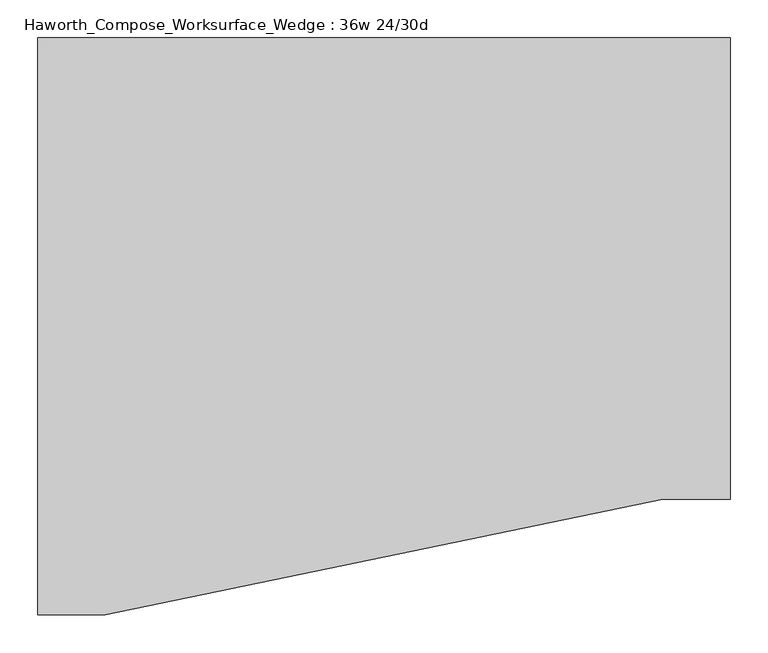
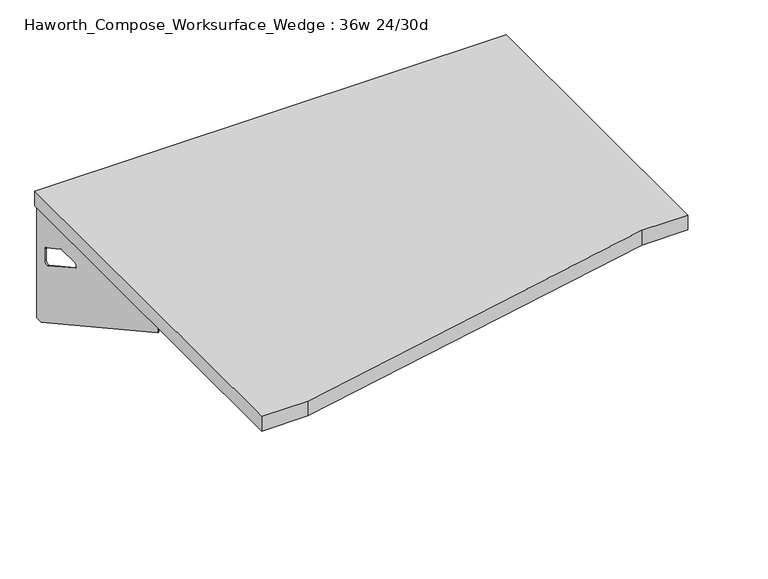
"""IFC4 building model written with IfcOpenShell, lengths in millimetres: furniture geometry, Haworth_Compose_Worksurface_Wedge : 36w 24/30d."""

from ifc_helpers import new_model, si_unit, frame, origin, place, context, project, spatial, polyline, circle_curve, outline, extrude, source, transform, mapped, element, save
from ifc_brep_helpers import plane_surface, revolved_surface, advanced_brep


def haworth_compose_worksurface_wedge_36w_24_30d_abe8b62f(model_context):
    return source(origin(), model_context, "Body", "SolidModel", [
        advanced_brep(
        [(451.64375, 381.0, 475.45625), (451.64375, 365.125, 475.45625), (451.64375, -25.4, 691.7192568), (451.64375, -25.4, 704.05625), (451.64375, 365.125, 704.05625), (451.64375, 381.0, 704.05625), (451.64375, 297.690072, 665.95625), (451.64375, 254.0355284, 665.95625), (451.64375, 251.3564235, 656.3705539), (451.64375, 343.0776173, 605.5776439), (451.64375, 352.425, 611.1756969), (451.64375, 352.425, 634.6860246), (451.64375, 350.6730055, 637.5242776), (451.64375, 300.7663437, 665.1613425), (454.025, 381.0, 475.45625), (454.025, 381.0, 704.05625), (454.025, 365.125, 704.05625), (454.025, 365.125, 706.4375), (454.025, -25.4, 706.4375), (454.025, -25.4, 691.7192568), (454.025, 365.125, 475.45625), (454.025, 297.690072, 665.95625), (454.025, 300.7663437, 665.1613425), (454.025, 350.6730055, 637.5242776), (454.025, 352.425, 634.6860246), (454.025, 352.425, 611.1756969), (454.025, 343.0776173, 605.5776439), (454.025, 251.3564235, 656.3705539), (454.025, 254.0355284, 665.95625), (412.75, -25.4, 706.4375), (412.75, -25.4, 704.05625), (412.75, 365.125, 704.05625), (412.75, 365.125, 706.4375)],
        [
            (0, 1),
            (1, 2),
            (2, 3),
            (3, 4),
            (4, 5),
            (5, 0),
            (6, 7),
            (7, 8, circle_curve(frame((451.64375, 254.0355284, 660.7890106), z_axis=(1.0, 0.0, 0.0), x_axis=(0.0, -1.0, 0.0)), 5.1672394)),
            (8, 9),
            (9, 10, circle_curve(frame((451.64375, 346.075, 611.1756969), z_axis=(1.0, 0.0, 0.0), x_axis=(0.0, -1.0, 0.0)), 6.35)),
            (10, 11),
            (11, 12, circle_curve(frame((451.64375, 349.25, 634.6860246), z_axis=(1.0, 0.0, 0.0), x_axis=(0.0, -1.0, 0.0)), 3.175)),
            (12, 13),
            (13, 6, circle_curve(frame((451.64375, 297.690072, 659.60625), z_axis=(1.0, 0.0, 0.0), x_axis=(0.0, -1.0, 0.0)), 6.35)),
            (14, 15),
            (15, 16),
            (16, 17),
            (17, 18),
            (18, 19),
            (19, 20),
            (20, 14),
            (21, 22, circle_curve(frame((454.025, 297.690072, 659.60625), z_axis=(-1.0, 0.0, 0.0), x_axis=(0.0, -1.0, 0.0)), 6.35)),
            (22, 23),
            (23, 24, circle_curve(frame((454.025, 349.25, 634.6860246), z_axis=(-1.0, 0.0, 0.0), x_axis=(0.0, -1.0, 0.0)), 3.175)),
            (24, 25),
            (25, 26, circle_curve(frame((454.025, 346.075, 611.1756969), z_axis=(-1.0, 0.0, 0.0), x_axis=(0.0, -1.0, 0.0)), 6.35)),
            (26, 27),
            (27, 28, circle_curve(frame((454.025, 254.0355284, 660.7890106), z_axis=(-1.0, 0.0, 0.0), x_axis=(0.0, -1.0, 0.0)), 5.1672394)),
            (28, 21),
            (4, 16),
            (15, 5),
            (14, 0),
            (20, 1),
            (19, 2),
            (18, 29),
            (29, 30),
            (30, 3),
            (6, 21),
            (28, 7),
            (9, 26),
            (25, 10),
            (24, 11),
            (23, 12),
            (27, 8),
            (31, 4),
            (30, 31),
            (32, 29),
            (17, 32),
            (31, 32),
            (22, 13),
        ],
        [
            plane_surface(frame((451.64375, 381.0, 475.45625), z_axis=(-1.0, 0.0, 0.0), x_axis=(0.0, 1.0, 0.0))),
            plane_surface(frame((454.025, 381.0, 475.45625), z_axis=(1.0, 0.0, 0.0), x_axis=(0.0, -1.0, 0.0))),
            plane_surface(frame((454.025, -25.4, 704.05625), z_axis=(0.0, 0.0, 1.0), x_axis=(-1.0, 0.0, 0.0))),
            plane_surface(frame((454.025, 381.0, 704.05625), z_axis=(0.0, 1.0, 0.0), x_axis=(-1.0, 0.0, 0.0))),
            plane_surface(frame((454.025, 381.0, 475.45625), z_axis=(0.0, 0.0, -1.0), x_axis=(-1.0, 0.0, 0.0))),
            plane_surface(frame((454.025, 365.125, 475.45625), z_axis=(0.0, -0.48445223513455843, -0.8748177135112952), x_axis=(-1.0, 0.0, 0.0))),
            plane_surface(frame((454.025, -25.4, 691.7192568), z_axis=(0.0, -1.0, 0.0), x_axis=(-1.0, 0.0, 0.0))),
            plane_surface(frame((454.025, 297.690072, 665.95625), z_axis=(0.0, 0.0, -1.0), x_axis=(-1.0, 0.0, 0.0))),
            revolved_surface(polyline([(451.64375, 339.72499999999997, 611.1756969), (454.025, 339.72499999999997, 611.1756969)]), (454.025, 346.075, 611.1756969), (-1.0, 0.0, 0.0)),
            plane_surface(frame((454.025, 352.425, 611.1756969), z_axis=(0.0, -1.0, 0.0), x_axis=(-1.0, 0.0, 0.0))),
            revolved_surface(polyline([(451.64375, 346.075, 634.6860246), (454.025, 346.075, 634.6860246)]), (454.025, 349.25, 634.6860246), (-1.0, 0.0, 0.0)),
            revolved_surface(polyline([(451.64375, 248.868289, 660.7890106), (454.025, 248.868289, 660.7890106)]), (454.025, 254.0355284, 660.7890106), (-1.0, 0.0, 0.0)),
            plane_surface(frame((454.025, 365.125, 704.05625), z_axis=(0.0, 0.0, -1.0), x_axis=(-1.0, 0.0, 0.0))),
            plane_surface(frame((454.025, 365.125, 706.4375), z_axis=(0.0, 0.0, 1.0), x_axis=(1.0, 0.0, 0.0))),
            plane_surface(frame((412.75, 365.125, 706.4375), z_axis=(0.0, 1.0, 0.0), x_axis=(0.0, 0.0, -1.0))),
            plane_surface(frame((412.75, -25.4, 706.4375), z_axis=(-1.0, 0.0, 0.0), x_axis=(0.0, 0.0, -1.0))),
            plane_surface(frame((454.025, 251.3564235, 656.3705539), z_axis=(0.0, 0.4844522351345583, 0.8748177135112953), x_axis=(-1.0, 0.0, 0.0))),
            plane_surface(frame((454.025, 350.6730055, 637.5242776), z_axis=(0.0, -0.4844522351345582, -0.8748177135112953), x_axis=(-1.0, 0.0, 0.0))),
            revolved_surface(polyline([(451.64375, 291.34007199999996, 659.60625), (454.025, 291.34007199999996, 659.60625)]), (454.025, 297.690072, 659.60625), (-1.0, 0.0, 0.0)),
        ],
        [
            (0, [[1, 2, 3, 4, 5, 6], [7, 8, 9, 10, 11, 12, 13, 14]]),
            (1, [[15, 16, 17, 18, 19, 20, 21], [22, 23, 24, 25, 26, 27, 28, 29]]),
            (2, [[-5, 30, -16, 31]]),
            (3, [[-31, -15, 32, -6]]),
            (4, [[-32, -21, 33, -1]]),
            (5, [[-33, -20, 34, -2]]),
            (6, [[-34, -19, 35, 36, 37, -3]]),
            (7, [[38, -29, 39, -7]]),
            (8, [[40, -26, 41, -10]]),
            (9, [[-41, -25, 42, -11]]),
            (10, [[-42, -24, 43, -12]]),
            (11, [[-39, -28, 44, -8]]),
            (12, [[45, -4, -37, 46]]),
            (13, [[47, -35, -18, 48]]),
            (14, [[-17, -30, -45, 49, -48]]),
            (15, [[-36, -47, -49, -46]]),
            (16, [[-44, -27, -40, -9]]),
            (17, [[-43, -23, 50, -13]]),
            (18, [[-50, -22, -38, -14]]),
        ],
    ),
        advanced_brep(
        [(-451.64375, 381.0, 475.45625), (-451.64375, 381.0, 704.05625), (-451.64375, 365.125, 704.05625), (-451.64375, -25.4, 704.05625), (-451.64375, -25.4, 691.7192568), (-451.64375, 365.125, 475.45625), (-451.64375, 297.690072, 665.95625), (-451.64375, 300.7663437, 665.1613425), (-451.64375, 350.6730055, 637.5242776), (-451.64375, 352.425, 634.6860246), (-451.64375, 352.425, 611.1756969), (-451.64375, 343.0776173, 605.5776439), (-451.64375, 251.3564235, 656.3705539), (-451.64375, 254.0355284, 665.95625), (-454.025, 381.0, 475.45625), (-454.025, 365.125, 475.45625), (-454.025, -25.4, 691.7192568), (-454.025, -25.4, 706.4375), (-454.025, 365.125, 706.4375), (-454.025, 365.125, 704.05625), (-454.025, 381.0, 704.05625), (-454.025, 297.690072, 665.95625), (-454.025, 254.0355284, 665.95625), (-454.025, 251.3564235, 656.3705539), (-454.025, 343.0776173, 605.5776439), (-454.025, 352.425, 611.1756969), (-454.025, 352.425, 634.6860246), (-454.025, 350.6730055, 637.5242776), (-454.025, 300.7663437, 665.1613425), (-412.75, -25.4, 704.05625), (-412.75, -25.4, 706.4375), (-412.75, 365.125, 704.05625), (-412.75, 365.125, 706.4375)],
        [
            (0, 1),
            (1, 2),
            (2, 3),
            (3, 4),
            (4, 5),
            (5, 0),
            (6, 7, circle_curve(frame((-451.64375, 297.690072, 659.60625), z_axis=(-1.0, 0.0, 0.0), x_axis=(0.0, -1.0, 0.0)), 6.35)),
            (7, 8),
            (8, 9, circle_curve(frame((-451.64375, 349.25, 634.6860246), z_axis=(-1.0, 0.0, 0.0), x_axis=(0.0, -1.0, 0.0)), 3.175)),
            (9, 10),
            (10, 11, circle_curve(frame((-451.64375, 346.075, 611.1756969), z_axis=(-1.0, 0.0, 0.0), x_axis=(0.0, -1.0, 0.0)), 6.35)),
            (11, 12),
            (12, 13, circle_curve(frame((-451.64375, 254.0355284, 660.7890106), z_axis=(-1.0, 0.0, 0.0), x_axis=(0.0, -1.0, 0.0)), 5.1672394)),
            (13, 6),
            (14, 15),
            (15, 16),
            (16, 17),
            (17, 18),
            (18, 19),
            (19, 20),
            (20, 14),
            (21, 22),
            (22, 23, circle_curve(frame((-454.025, 254.0355284, 660.7890106), z_axis=(1.0, 0.0, 0.0), x_axis=(0.0, -1.0, 0.0)), 5.1672394)),
            (23, 24),
            (24, 25, circle_curve(frame((-454.025, 346.075, 611.1756969), z_axis=(1.0, 0.0, 0.0), x_axis=(0.0, -1.0, 0.0)), 6.35)),
            (25, 26),
            (26, 27, circle_curve(frame((-454.025, 349.25, 634.6860246), z_axis=(1.0, 0.0, 0.0), x_axis=(0.0, -1.0, 0.0)), 3.175)),
            (27, 28),
            (28, 21, circle_curve(frame((-454.025, 297.690072, 659.60625), z_axis=(1.0, 0.0, 0.0), x_axis=(0.0, -1.0, 0.0)), 6.35)),
            (1, 20),
            (19, 2),
            (0, 14),
            (5, 15),
            (4, 16),
            (3, 29),
            (29, 30),
            (30, 17),
            (13, 22),
            (21, 6),
            (10, 25),
            (24, 11),
            (9, 26),
            (8, 27),
            (12, 23),
            (31, 29),
            (2, 31),
            (32, 18),
            (30, 32),
            (32, 31),
            (7, 28),
        ],
        [
            plane_surface(frame((-451.64375, 381.0, 475.45625), z_axis=(1.0, 0.0, 0.0), x_axis=(0.0, 1.0, 0.0))),
            plane_surface(frame((-454.025, 381.0, 475.45625), z_axis=(-1.0, 0.0, 0.0), x_axis=(0.0, -1.0, 0.0))),
            plane_surface(frame((-454.025, -25.4, 704.05625), z_axis=(0.0, 0.0, 1.0), x_axis=(1.0, 0.0, 0.0))),
            plane_surface(frame((-454.025, 381.0, 704.05625), z_axis=(0.0, 1.0, 0.0), x_axis=(1.0, 0.0, 0.0))),
            plane_surface(frame((-454.025, 381.0, 475.45625), z_axis=(0.0, 0.0, -1.0), x_axis=(1.0, 0.0, 0.0))),
            plane_surface(frame((-454.025, 365.125, 475.45625), z_axis=(0.0, -0.48445223513455843, -0.8748177135112952), x_axis=(1.0, 0.0, 0.0))),
            plane_surface(frame((-454.025, -25.4, 691.7192568), z_axis=(0.0, -1.0, 0.0), x_axis=(1.0, 0.0, 0.0))),
            plane_surface(frame((-454.025, 297.690072, 665.95625), z_axis=(0.0, 0.0, -1.0), x_axis=(1.0, 0.0, 0.0))),
            revolved_surface(polyline([(-451.64375, 339.72499999999997, 611.1756969), (-454.025, 339.72499999999997, 611.1756969)]), (-454.025, 346.075, 611.1756969), (1.0, 0.0, 0.0)),
            plane_surface(frame((-454.025, 352.425, 611.1756969), z_axis=(0.0, -1.0, 0.0), x_axis=(1.0, 0.0, 0.0))),
            revolved_surface(polyline([(-451.64375, 346.075, 634.6860246), (-454.025, 346.075, 634.6860246)]), (-454.025, 349.25, 634.6860246), (1.0, 0.0, 0.0)),
            revolved_surface(polyline([(-451.64375, 248.868289, 660.7890106), (-454.025, 248.868289, 660.7890106)]), (-454.025, 254.0355284, 660.7890106), (1.0, 0.0, 0.0)),
            plane_surface(frame((-454.025, 365.125, 704.05625), z_axis=(0.0, 0.0, -1.0), x_axis=(1.0, 0.0, 0.0))),
            plane_surface(frame((-454.025, 365.125, 706.4375), z_axis=(0.0, 0.0, 1.0), x_axis=(-1.0, 0.0, 0.0))),
            plane_surface(frame((-412.75, 365.125, 706.4375), z_axis=(0.0, 1.0, 0.0), x_axis=(0.0, 0.0, -1.0))),
            plane_surface(frame((-412.75, -25.4, 706.4375), z_axis=(1.0, 0.0, 0.0), x_axis=(0.0, 0.0, -1.0))),
            plane_surface(frame((-454.025, 251.3564235, 656.3705539), z_axis=(0.0, 0.4844522351345583, 0.8748177135112953), x_axis=(1.0, 0.0, 0.0))),
            plane_surface(frame((-454.025, 350.6730055, 637.5242776), z_axis=(0.0, -0.4844522351345582, -0.8748177135112953), x_axis=(1.0, 0.0, 0.0))),
            revolved_surface(polyline([(-451.64375, 291.34007199999996, 659.60625), (-454.025, 291.34007199999996, 659.60625)]), (-454.025, 297.690072, 659.60625), (1.0, 0.0, 0.0)),
        ],
        [
            (0, [[1, 2, 3, 4, 5, 6], [7, 8, 9, 10, 11, 12, 13, 14]]),
            (1, [[15, 16, 17, 18, 19, 20, 21], [22, 23, 24, 25, 26, 27, 28, 29]]),
            (2, [[30, -20, 31, -2]]),
            (3, [[-1, 32, -21, -30]]),
            (4, [[-6, 33, -15, -32]]),
            (5, [[-5, 34, -16, -33]]),
            (6, [[-4, 35, 36, 37, -17, -34]]),
            (7, [[-14, 38, -22, 39]]),
            (8, [[-11, 40, -25, 41]]),
            (9, [[-10, 42, -26, -40]]),
            (10, [[-9, 43, -27, -42]]),
            (11, [[-13, 44, -23, -38]]),
            (12, [[45, -35, -3, 46]]),
            (13, [[47, -18, -37, 48]]),
            (14, [[-47, 49, -46, -31, -19]]),
            (15, [[-45, -49, -48, -36]]),
            (16, [[-12, -41, -24, -44]]),
            (17, [[-8, 50, -28, -43]]),
            (18, [[-7, -39, -29, -50]]),
        ],
    ),
        extrude(outline(polyline([(457.2, 381.0), (457.2, -228.6), (368.3, -228.6), (-368.3, -381.0), (-457.2, -381.0), (-457.2, 381.0), (457.2, 381.0)])), frame((0.0, 0.0, 706.4375), z_axis=(0.0, 0.0, 1.0), x_axis=(1.0, 0.0, 0.0)), (0.0, 0.0, 1.0), 30.1625),
    ])


if __name__ == "__main__":
    model = new_model("IFC4")
    model_context = context("Model", 3, world=origin())
    ifc_project = project(units=[si_unit("LENGTHUNIT", "METRE", prefix="MILLI")], contexts=[model_context])
    site = spatial("IfcSite", under=ifc_project)
    building = spatial("IfcBuilding", under=site)
    placement = place(None, origin())
    haworth_compose_worksurface_wedge_36w_24_30d_shape = haworth_compose_worksurface_wedge_36w_24_30d_abe8b62f(model_context)
    element("IfcFurniture", 1, ObjectType="Haworth_Compose_Worksurface_Wedge : 36w 24/30d", at=placement, inside=building, context=model_context, shape_type="MappedRepresentation", body=[
        mapped(haworth_compose_worksurface_wedge_36w_24_30d_shape, transform((0.0, 0.0, 0.0), x_axis=(1.0, 0.0, 0.0), y_axis=(0.0, 1.0, 0.0), z_axis=(0.0, 0.0, 1.0))),
    ])
    save(model, "model.ifc")
